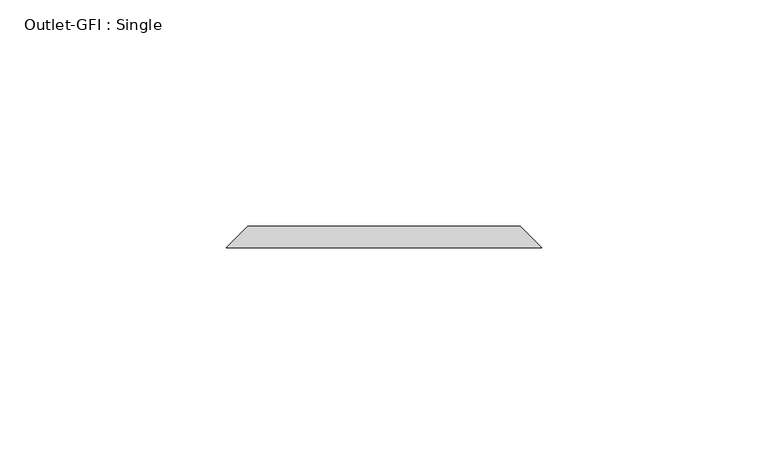
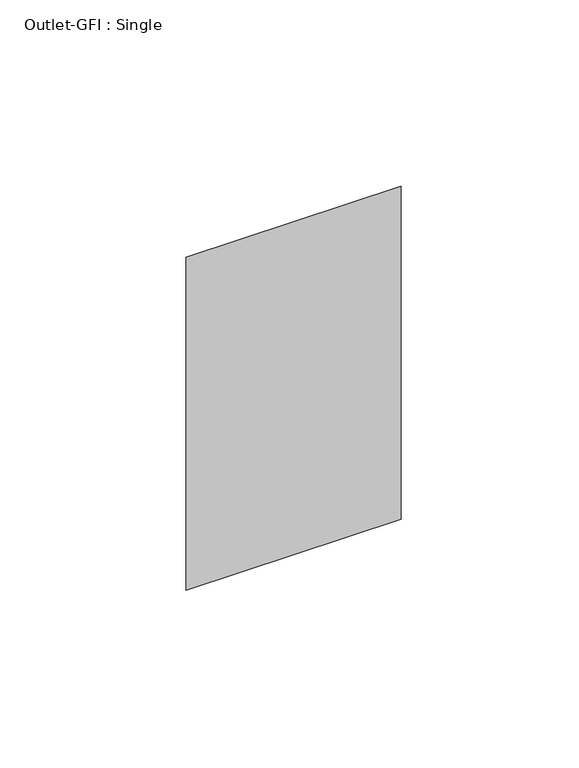
"""IFC4 building model written with IfcOpenShell, lengths in millimetres: proxy geometry, Outlet-GFI : Single."""

from ifc_helpers import new_model, si_unit, origin, place, context, project, spatial, faceted_brep, source, transform, mapped, element, save


def outlet_gfi_single_852af9d2(model_context):
    return source(origin(), model_context, "Body", "Brep", [
        faceted_brep([(-30.1625, 57.15, 1271.5875), (30.1625, 57.15, 1271.5875), (30.1625, 57.15, 1166.8125), (-30.1625, 57.15, 1166.8125), (-34.925, 52.3875, 1276.35), (-34.925, 52.3875, 1162.05), (34.925, 52.3875, 1162.05), (34.925, 52.3875, 1276.35)], [[[0, 1, 2, 3]], [[4, 5, 6, 7]], [[4, 7, 1, 0]], [[7, 6, 2, 1]], [[6, 5, 3, 2]], [[5, 4, 0, 3]]]),
    ])


if __name__ == "__main__":
    model = new_model("IFC4")
    model_context = context("Model", 3, world=origin())
    ifc_project = project(units=[si_unit("LENGTHUNIT", "METRE", prefix="MILLI")], contexts=[model_context])
    site = spatial("IfcSite", under=ifc_project)
    building = spatial("IfcBuilding", under=site)
    placement = place(None, origin())
    outlet_gfi_single_shape = outlet_gfi_single_852af9d2(model_context)
    element("IfcBuildingElementProxy", 1, Name="Outlet-GFI : Single", ObjectType="Outlet-GFI : Single", at=placement, inside=building, context=model_context, shape_type="MappedRepresentation", body=[
        mapped(outlet_gfi_single_shape, transform((0.0, 0.0, 0.0), x_axis=(1.0, 0.0, 0.0), y_axis=(0.0, 1.0, 0.0), z_axis=(0.0, 0.0, 1.0))),
    ])
    save(model, "model.ifc")
